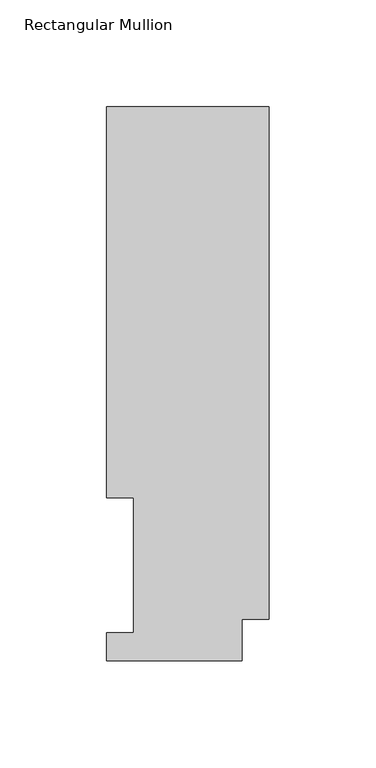
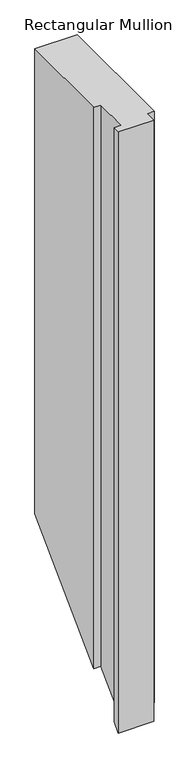
"""IFC4 building model written with IfcOpenShell, lengths in millimetres: member geometry, Rectangular Mullion."""

from ifc_helpers import new_model, si_unit, origin, place, context, project, spatial, faceted_brep, source, transform, mapped, element, save


def rectangular_mullion_021fed4c(model_context):
    return source(origin(), model_context, "Body", "Brep", [
        faceted_brep([(-76.2, 76.2992188, 0.0), (-63.5, 76.2992188, 0.0), (-63.5, 13.1492189, 0.0), (-76.2, 13.1492189, 0.0), (-76.2, -0.0333811, 0.0), (-12.7, -0.0333811, 0.0), (-12.7, 19.5088257, 0.0), (0.0, 19.5088257, 0.0), (0.0, 259.4586188, 0.0), (-76.2, 259.4586188, 0.0), (-76.2, 76.2992188, -1066.2181813), (-63.5, 76.2992188, -1066.2181813), (-63.5, 13.1492189, -1129.3681811), (-76.2, 13.1492189, -1129.3681811), (-76.2, -0.0333811, -1142.5507811), (-12.7, -0.0333811, -1142.5507811), (-12.7, 19.5088257, -1123.0085743), (0.0, 19.5088257, -1123.0085743), (0.0, 259.4586188, -883.0587813), (-76.2, 259.4586188, -883.0587813)], [[[0, 1, 2, 3, 4, 5, 6, 7, 8, 9]], [[1, 0, 10, 11]], [[2, 1, 11, 12]], [[3, 2, 12, 13]], [[4, 3, 13, 14]], [[5, 4, 14, 15]], [[6, 5, 15, 16]], [[7, 6, 16, 17]], [[8, 7, 17, 18]], [[9, 8, 18, 19]], [[0, 9, 19, 10]], [[10, 19, 18, 17, 16, 15, 14, 13, 12, 11]]]),
    ])


if __name__ == "__main__":
    model = new_model("IFC4")
    model_context = context("Model", 3, world=origin())
    ifc_project = project(units=[si_unit("LENGTHUNIT", "METRE", prefix="MILLI")], contexts=[model_context])
    site = spatial("IfcSite", under=ifc_project)
    building = spatial("IfcBuilding", under=site)
    placement = place(None, origin())
    rectangular_mullion_shape = rectangular_mullion_021fed4c(model_context)
    element("IfcMember", 1, ObjectType="Rectangular Mullion", at=placement, inside=building, context=model_context, shape_type="MappedRepresentation", body=[
        mapped(rectangular_mullion_shape, transform((0.0, 0.0, 0.0), x_axis=(1.0, 0.0, 0.0), y_axis=(0.0, 1.0, 0.0), z_axis=(0.0, 0.0, 1.0))),
    ])
    save(model, "model.ifc")
